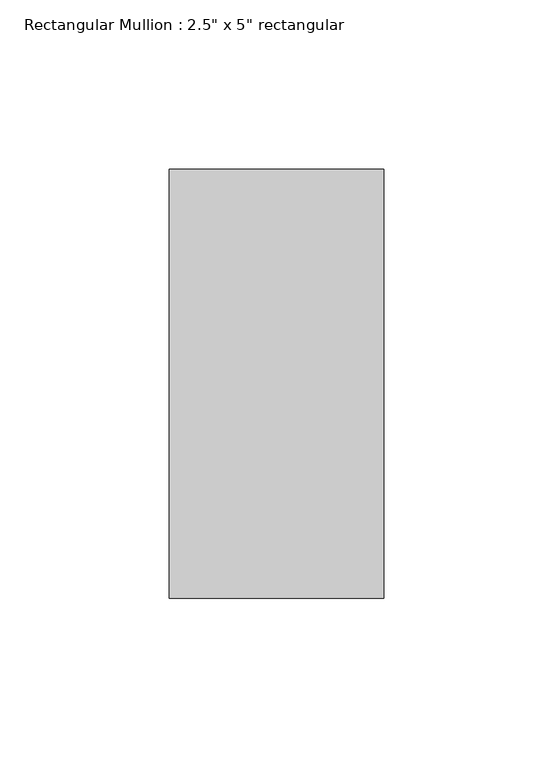
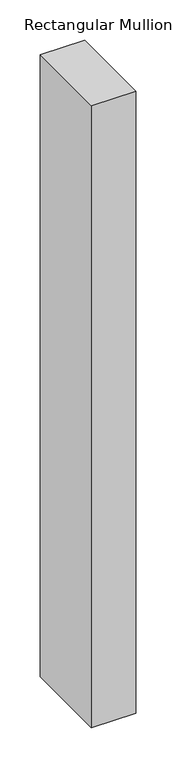
"""IFC4 building model written with IfcOpenShell, lengths in millimetres: member geometry."""

from ifc_helpers import new_model, si_unit, frame, origin, place, context, project, spatial, polyline, outline, extrude, source, transform, mapped, element, save


def member_61f8b13b(model_context):
    return source(origin(), model_context, "Body", "SweptSolid", [
        extrude(outline(polyline([(0.0, 63.5), (0.0, -63.5), (-63.5, -63.5), (-63.5, 63.5), (0.0, 63.5)])), frame((0.0, 0.0, -943.4995356), z_axis=(0.0, 0.0, 1.0), x_axis=(1.0, 0.0, 0.0)), (0.0, 0.0, 1.0), 943.4995356),
    ])


if __name__ == "__main__":
    model = new_model("IFC4")
    model_context = context("Model", 3, world=origin())
    ifc_project = project(units=[si_unit("LENGTHUNIT", "METRE", prefix="MILLI")], contexts=[model_context])
    site = spatial("IfcSite", under=ifc_project)
    building = spatial("IfcBuilding", under=site)
    placement = place(None, origin())
    member_shape = member_61f8b13b(model_context)
    element("IfcMember", 1, ObjectType="Rectangular Mullion : 2.5\" x 5\" rectangular", at=placement, inside=building, context=model_context, shape_type="MappedRepresentation", body=[
        mapped(member_shape, transform((0.0, 0.0, 0.0), x_axis=(1.0, 0.0, 0.0), y_axis=(0.0, 1.0, 0.0), z_axis=(0.0, 0.0, 1.0))),
    ])
    save(model, "model.ifc")
